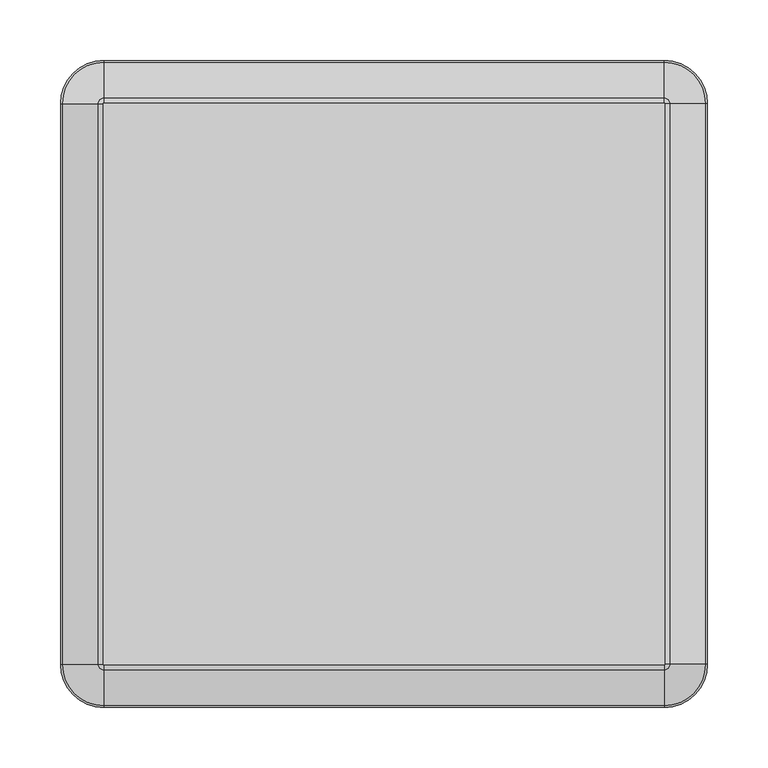
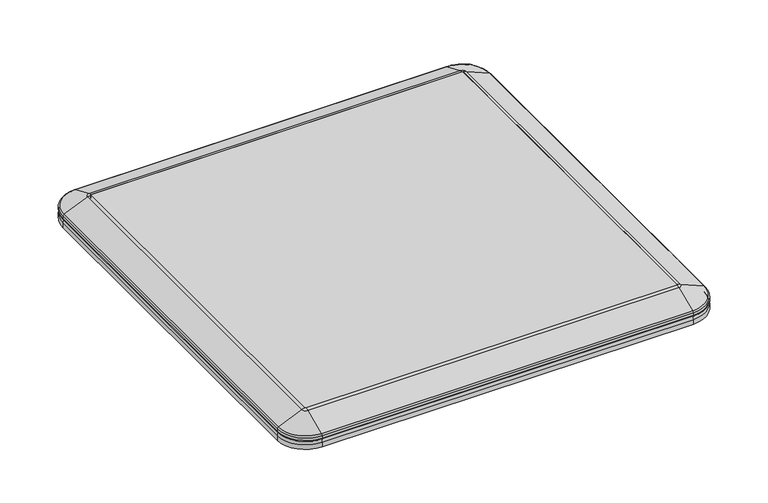
"""IFC4 building model written with IfcOpenShell, lengths in millimetres: furniture geometry."""

from ifc_helpers import new_model, si_unit, point, frame, frame_2d, origin, place, context, project, spatial, polyline, circle_curve, ellipse_curve, trimmed, segment, composite_curve, outline, extrude, source, transform, mapped, element, save
from ifc_brep_helpers import plane_surface, cylinder_surface, revolved_surface, advanced_brep


def furniture_83ba9d2f(model_context):
    return source(origin(), model_context, "Body", "SolidModel", [
        advanced_brep(
        [(-266.700436, 231.2129153, 410.35654), (-231.2133513, 266.7, 410.35654), (-231.2133513, 266.7, 404.4319636), (-266.700436, 231.2129153, 404.4319636), (-264.8443211, 231.2129153, 414.3369913), (-231.2133513, 264.8438851, 414.3369913), (-231.9886013, 231.2129153, 404.4319636), (-231.2133513, 231.9881653, 404.4319636), (-231.2133513, 231.9881653, 414.3369913), (-231.9886013, 231.2129153, 414.3369913), (-266.700436, -231.2129153, 404.4319636), (-266.700436, -231.2129153, 410.35654), (-264.8443211, -231.2129153, 414.3369913), (-231.9886013, -231.2129153, 414.3369913), (-231.9886013, -231.2129153, 404.4319636), (-231.2133513, -266.7, 410.35654), (-231.2133513, -266.7, 404.4319636), (-231.2133513, -264.8438851, 414.3369913), (-231.2133513, -231.9881653, 404.4319636), (-231.2133513, -231.9881653, 414.3369913), (231.2124792, -266.7, 404.4319636), (231.2124792, -266.7, 410.35654), (231.2124792, -264.8438851, 414.3369913), (231.2124792, -231.9881653, 414.3369913), (231.2124792, -231.9881653, 404.4319636), (266.699564, -231.2129153, 410.35654), (266.699564, -231.2129153, 404.4319636), (264.8434491, -231.2129153, 414.3369913), (231.9877293, -231.2129153, 404.4319636), (231.9877293, -231.2129153, 414.3369913), (266.699564, 231.2129153, 404.4319636), (266.699564, 231.2129153, 410.35654), (264.8434491, 231.2129153, 414.3369913), (231.9877293, 231.2129153, 414.3369913), (231.9877293, 231.2129153, 404.4319636), (231.2124792, 266.7, 410.35654), (231.2124792, 266.7, 404.4319636), (231.2124792, 264.8438851, 414.3369913), (231.2124792, 231.9881653, 404.4319636), (231.2124792, 231.9881653, 414.3369913)],
        [
            (0, 1, circle_curve(frame((-231.2133513, 231.2129153, 410.35654), z_axis=(0.0, 0.0, -1.0), x_axis=(0.0, 1.0, 0.0)), 35.4870847)),
            (1, 2),
            (2, 3, circle_curve(frame((-231.2133513, 231.2129153, 404.4319636), z_axis=(0.0, 0.0, 1.0), x_axis=(0.0, 1.0, 0.0)), 35.4870847)),
            (3, 0),
            (4, 5, circle_curve(frame((-231.2133513, 231.2129153, 414.3369913), z_axis=(0.0, 0.0, -1.0), x_axis=(0.0, 1.0, 0.0)), 33.6309698)),
            (5, 1, circle_curve(frame((-231.2133513, 261.1468703, 410.190059), z_axis=(-1.0, 0.0, 0.0), x_axis=(0.0, -1.0, 0.0)), 5.5556247)),
            (0, 4, circle_curve(frame((-261.1473063, 231.2129153, 410.190059), z_axis=(0.0, 1.0, 0.0), x_axis=(1.0, 0.0, 0.0)), 5.5556247)),
            (6, 7, circle_curve(frame((-231.2133513, 231.2129153, 404.4319636), z_axis=(0.0, 0.0, -1.0), x_axis=(0.0, 1.0, 0.0)), 0.77525)),
            (7, 8),
            (8, 9, circle_curve(frame((-231.2133513, 231.2129153, 414.3369913), z_axis=(0.0, 0.0, 1.0), x_axis=(0.0, 1.0, 0.0)), 0.77525)),
            (9, 6),
            (3, 10),
            (10, 11),
            (11, 0),
            (11, 12, circle_curve(frame((-261.1473063, -231.2129153, 410.190059), z_axis=(0.0, 1.0, 0.0), x_axis=(1.0, 0.0, 0.0)), 5.5556247)),
            (12, 4),
            (9, 13),
            (13, 14),
            (14, 6),
            (15, 11, circle_curve(frame((-231.2133513, -231.2129153, 410.35654), z_axis=(0.0, 0.0, -1.0), x_axis=(-1.0, 0.0, 0.0)), 35.4870847)),
            (10, 16, circle_curve(frame((-231.2133513, -231.2129153, 404.4319636), z_axis=(0.0, 0.0, 1.0), x_axis=(-1.0, 0.0, 0.0)), 35.4870847)),
            (16, 15),
            (17, 12, circle_curve(frame((-231.2133513, -231.2129153, 414.3369913), z_axis=(0.0, 0.0, -1.0), x_axis=(-1.0, 0.0, 0.0)), 33.6309698)),
            (15, 17, circle_curve(frame((-231.2133513, -261.1468703, 410.190059), z_axis=(-1.0, 0.0, 0.0), x_axis=(0.0, 1.0, 0.0)), 5.5556247)),
            (18, 14, circle_curve(frame((-231.2133513, -231.2129153, 404.4319636), z_axis=(0.0, 0.0, -1.0), x_axis=(-1.0, 0.0, 0.0)), 0.77525)),
            (13, 19, circle_curve(frame((-231.2133513, -231.2129153, 414.3369913), z_axis=(0.0, 0.0, 1.0), x_axis=(-1.0, 0.0, 0.0)), 0.77525)),
            (19, 18),
            (16, 20),
            (20, 21),
            (21, 15),
            (21, 22, circle_curve(frame((231.2124792, -261.1468703, 410.190059), z_axis=(-1.0, 0.0, 0.0), x_axis=(0.0, 1.0, 0.0)), 5.5556247)),
            (22, 17),
            (19, 23),
            (23, 24),
            (24, 18),
            (25, 21, circle_curve(frame((231.2124792, -231.2129153, 410.35654), z_axis=(0.0, 0.0, -1.0), x_axis=(0.0, -1.0, 0.0)), 35.4870847)),
            (20, 26, circle_curve(frame((231.2124792, -231.2129153, 404.4319636), z_axis=(0.0, 0.0, 1.0), x_axis=(0.0, -1.0, 0.0)), 35.4870847)),
            (26, 25),
            (27, 22, circle_curve(frame((231.2124792, -231.2129153, 414.3369913), z_axis=(0.0, 0.0, -1.0), x_axis=(0.0, -1.0, 0.0)), 33.6309698)),
            (25, 27, circle_curve(frame((261.1464342, -231.2129153, 410.190059), z_axis=(0.0, -1.0, 0.0), x_axis=(-1.0, 0.0, 0.0)), 5.5556247)),
            (28, 24, circle_curve(frame((231.2124792, -231.2129153, 404.4319636), z_axis=(0.0, 0.0, -1.0), x_axis=(0.0, -1.0, 0.0)), 0.77525)),
            (23, 29, circle_curve(frame((231.2124792, -231.2129153, 414.3369913), z_axis=(0.0, 0.0, 1.0), x_axis=(0.0, -1.0, 0.0)), 0.77525)),
            (29, 28),
            (26, 30),
            (30, 31),
            (31, 25),
            (31, 32, circle_curve(frame((261.1464342, 231.2129153, 410.190059), z_axis=(0.0, -1.0, 0.0), x_axis=(-1.0, 0.0, 0.0)), 5.5556247)),
            (32, 27),
            (29, 33),
            (33, 34),
            (34, 28),
            (35, 31, circle_curve(frame((231.2124792, 231.2129153, 410.35654), z_axis=(0.0, 0.0, -1.0), x_axis=(1.0, 0.0, 0.0)), 35.4870847)),
            (30, 36, circle_curve(frame((231.2124792, 231.2129153, 404.4319636), z_axis=(0.0, 0.0, 1.0), x_axis=(1.0, 0.0, 0.0)), 35.4870847)),
            (36, 35),
            (37, 32, circle_curve(frame((231.2124792, 231.2129153, 414.3369913), z_axis=(0.0, 0.0, -1.0), x_axis=(1.0, 0.0, 0.0)), 33.6309698)),
            (35, 37, circle_curve(frame((231.2124792, 261.1468703, 410.190059), z_axis=(1.0, 0.0, 0.0), x_axis=(0.0, -1.0, 0.0)), 5.5556247)),
            (38, 34, circle_curve(frame((231.2124792, 231.2129153, 404.4319636), z_axis=(0.0, 0.0, -1.0), x_axis=(1.0, 0.0, 0.0)), 0.77525)),
            (33, 39, circle_curve(frame((231.2124792, 231.2129153, 414.3369913), z_axis=(0.0, 0.0, 1.0), x_axis=(1.0, 0.0, 0.0)), 0.77525)),
            (39, 38),
            (2, 36),
            (38, 7),
            (1, 35),
            (5, 37),
            (8, 39),
        ],
        [
            cylinder_surface(frame((-231.2133513, 231.2129153, 434.9750121), z_axis=(0.0, 0.0, 1.0), x_axis=(0.0, 1.0, 0.0)), 35.4870847),
            revolved_surface(trimmed(ellipse_curve(frame((-231.2133513, 261.1468703, 410.190059), z_axis=(1.0, 0.0, 0.0), x_axis=(0.0, -1.0, 0.0)), 5.5556247, 5.5556247), [point((-231.2133513, 266.7, 410.35654))], [point((-231.2133513, 264.8438851, 414.3369913))], True, "CARTESIAN"), (-231.2133513, 231.2129153, 434.9750121), (0.0, 0.0, 1.0)),
            revolved_surface(polyline([(-231.2133513, 231.9881653, 414.3369913), (-231.2133513, 231.9881653, 404.4319636)]), (-231.2133513, 231.2129153, 434.9750121), (0.0, 0.0, 1.0)),
            plane_surface(frame((-266.700436, 231.2129153, 404.4319636), z_axis=(-1.0, 0.0, 0.0), x_axis=(0.0, -1.0, 0.0))),
            cylinder_surface(frame((-261.1473063, 231.2129153, 410.190059), z_axis=(0.0, 1.0, 0.0), x_axis=(1.0, 0.0, 0.0)), 5.5556247),
            plane_surface(frame((-231.9886013, 231.2129153, 414.3369913), z_axis=(1.0, 0.0, 0.0), x_axis=(0.0, -1.0, 0.0))),
            cylinder_surface(frame((-231.2133513, -231.2129153, 434.9750121), z_axis=(0.0, 0.0, 1.0), x_axis=(-1.0, 0.0, 0.0)), 35.4870847),
            revolved_surface(trimmed(ellipse_curve(frame((-261.1473063, -231.2129153, 410.190059), z_axis=(0.0, 1.0, 0.0), x_axis=(1.0, 0.0, 0.0)), 5.5556247, 5.5556247), [point((-266.700436, -231.2129153, 410.35654))], [point((-264.8443211, -231.2129153, 414.3369913))], True, "CARTESIAN"), (-231.2133513, -231.2129153, 434.9750121), (0.0, 0.0, 1.0)),
            revolved_surface(polyline([(-231.9886013, -231.2129153, 414.3369913), (-231.9886013, -231.2129153, 404.4319636)]), (-231.2133513, -231.2129153, 434.9750121), (0.0, 0.0, 1.0)),
            plane_surface(frame((-231.2133513, -266.7, 404.4319636), z_axis=(0.0, -1.0, 0.0), x_axis=(1.0, 0.0, 0.0))),
            cylinder_surface(frame((-231.2133513, -261.1468703, 410.190059), z_axis=(-1.0, 0.0, 0.0), x_axis=(0.0, 1.0, 0.0)), 5.5556247),
            plane_surface(frame((-231.2133513, -231.9881653, 414.3369913), z_axis=(0.0, 1.0, 0.0), x_axis=(1.0, 0.0, 0.0))),
            cylinder_surface(frame((231.2124792, -231.2129153, 434.9750121), z_axis=(0.0, 0.0, 1.0), x_axis=(0.0, -1.0, 0.0)), 35.4870847),
            revolved_surface(trimmed(ellipse_curve(frame((231.2124792, -261.1468703, 410.190059), z_axis=(-1.0, 0.0, 0.0), x_axis=(0.0, 1.0, 0.0)), 5.5556247, 5.5556247), [point((231.2124792, -266.7, 410.35654))], [point((231.2124792, -264.8438851, 414.3369913))], True, "CARTESIAN"), (231.2124792, -231.2129153, 434.9750121), (0.0, 0.0, 1.0)),
            revolved_surface(polyline([(231.2124792, -231.9881653, 414.3369913), (231.2124792, -231.9881653, 404.4319636)]), (231.2124792, -231.2129153, 434.9750121), (0.0, 0.0, 1.0)),
            plane_surface(frame((266.699564, -231.2129153, 404.4319636), z_axis=(1.0, 0.0, 0.0), x_axis=(0.0, 1.0, 0.0))),
            cylinder_surface(frame((261.1464342, -231.2129153, 410.190059), z_axis=(0.0, -1.0, 0.0), x_axis=(-1.0, 0.0, 0.0)), 5.5556247),
            plane_surface(frame((231.9877293, -231.2129153, 414.3369913), z_axis=(-1.0, 0.0, 0.0), x_axis=(0.0, 1.0, 0.0))),
            cylinder_surface(frame((231.2124792, 231.2129153, 434.9750121), z_axis=(0.0, 0.0, 1.0), x_axis=(1.0, 0.0, 0.0)), 35.4870847),
            revolved_surface(trimmed(ellipse_curve(frame((261.1464342, 231.2129153, 410.190059), z_axis=(0.0, -1.0, 0.0), x_axis=(-1.0, 0.0, 0.0)), 5.5556247, 5.5556247), [point((266.699564, 231.2129153, 410.35654))], [point((264.8434491, 231.2129153, 414.3369913))], True, "CARTESIAN"), (231.2124792, 231.2129153, 434.9750121), (0.0, 0.0, 1.0)),
            revolved_surface(polyline([(231.9877292, 231.2129153, 414.3369913), (231.9877292, 231.2129153, 404.4319636)]), (231.2124792, 231.2129153, 434.9750121), (0.0, 0.0, 1.0)),
            plane_surface(frame((231.2124792, 231.9881653, 404.4319636), z_axis=(0.0, 0.0, -1.0), x_axis=(-1.0, 0.0, 0.0))),
            plane_surface(frame((231.2124792, 266.7, 404.4319636), z_axis=(0.0, 1.0, 0.0), x_axis=(-1.0, 0.0, 0.0))),
            cylinder_surface(frame((231.2124792, 261.1468703, 410.190059), z_axis=(1.0, 0.0, 0.0), x_axis=(0.0, -1.0, 0.0)), 5.5556247),
            plane_surface(frame((231.2124792, 264.8438851, 414.3369913), z_axis=(0.0, 0.0, 1.0), x_axis=(-1.0, 0.0, 0.0))),
            plane_surface(frame((231.2124792, 231.9881653, 414.3369913), z_axis=(0.0, -1.0, 0.0), x_axis=(-1.0, 0.0, 0.0))),
        ],
        [
            (0, [[1, 2, 3, 4]]),
            (1, [[5, 6, -1, 7]]),
            (2, [[8, 9, 10, 11]]),
            (3, [[-4, 12, 13, 14]]),
            (4, [[-7, -14, 15, 16]]),
            (5, [[-11, 17, 18, 19]]),
            (6, [[20, -13, 21, 22]]),
            (7, [[23, -15, -20, 24]]),
            (8, [[25, -18, 26, 27]]),
            (9, [[-22, 28, 29, 30]]),
            (10, [[-24, -30, 31, 32]]),
            (11, [[-27, 33, 34, 35]]),
            (12, [[36, -29, 37, 38]]),
            (13, [[39, -31, -36, 40]]),
            (14, [[41, -34, 42, 43]]),
            (15, [[-38, 44, 45, 46]]),
            (16, [[-40, -46, 47, 48]]),
            (17, [[-43, 49, 50, 51]]),
            (18, [[52, -45, 53, 54]]),
            (19, [[55, -47, -52, 56]]),
            (20, [[57, -50, 58, 59]]),
            (21, [[60, -53, -44, -37, -28, -21, -12, -3], [-51, -57, 61, -8, -19, -25, -35, -41]]),
            (22, [[-54, -60, -2, 62]]),
            (23, [[-56, -62, -6, 63]]),
            (24, [[-48, -55, -63, -5, -16, -23, -32, -39], [64, -58, -49, -42, -33, -26, -17, -10]]),
            (25, [[-59, -64, -9, -61]]),
        ],
    ),
        advanced_brep(
        [(-231.9886013, 231.2129153, 434.9750121), (-231.2133513, 231.9881653, 434.9750121), (-231.2133513, 235.722821, 433.9635186), (-235.7232571, 231.2129153, 433.9635186), (-231.9886013, 231.2129153, 414.3369913), (-231.2133513, 231.9881653, 414.3369913), (-266.700436, 231.2129153, 415.8206706), (-231.2133513, 266.7, 415.8206706), (-231.2133513, 264.8438851, 414.3369913), (-264.8443211, 231.2129153, 414.3369913), (-266.700436, 231.2129153, 419.2299165), (-231.2133513, 266.7, 419.2299165), (-265.3179623, 231.2129153, 421.2795181), (-231.2133513, 265.3175262, 421.2795181), (-235.7232571, -231.2129153, 433.9635186), (-231.9886013, -231.2129153, 434.9750121), (-231.9886013, -231.2129153, 414.3369913), (-264.8443211, -231.2129153, 414.3369913), (-266.700436, -231.2129153, 415.8206706), (-266.700436, -231.2129153, 419.2299165), (-265.3179623, -231.2129153, 421.2795181), (-231.2133513, -231.9881653, 434.9750121), (-231.2133513, -235.722821, 433.9635186), (-231.2133513, -231.9881653, 414.3369913), (-231.2133513, -266.7, 415.8206706), (-231.2133513, -264.8438851, 414.3369913), (-231.2133513, -266.7, 419.2299165), (-231.2133513, -265.3175262, 421.2795181), (231.2124792, -235.722821, 433.9635186), (231.2124792, -231.9881653, 434.9750121), (231.2124792, -231.9881653, 414.3369913), (231.2124792, -264.8438851, 414.3369913), (231.2124792, -266.7, 415.8206706), (231.2124792, -266.7, 419.2299165), (231.2124792, -265.3175262, 421.2795181), (231.9877293, -231.2129153, 434.9750121), (235.722385, -231.2129153, 433.9635186), (231.9877293, -231.2129153, 414.3369913), (266.699564, -231.2129153, 415.8206706), (264.8434491, -231.2129153, 414.3369913), (266.699564, -231.2129153, 419.2299165), (265.3170902, -231.2129153, 421.2795181), (235.722385, 231.2129153, 433.9635186), (231.9877293, 231.2129153, 434.9750121), (231.9877293, 231.2129153, 414.3369913), (264.8434491, 231.2129153, 414.3369913), (266.699564, 231.2129153, 415.8206706), (266.699564, 231.2129153, 419.2299165), (265.3170902, 231.2129153, 421.2795181), (231.2124792, 231.9881653, 434.9750121), (231.2124792, 235.722821, 433.9635186), (231.2124792, 231.9881653, 414.3369913), (231.2124792, 266.7, 415.8206706), (231.2124792, 264.8438851, 414.3369913), (231.2124792, 266.7, 419.2299165), (231.2124792, 265.3175262, 421.2795181)],
        [
            (0, 1, circle_curve(frame((-231.2133513, 231.2129153, 434.9750121), z_axis=(0.0, 0.0, -1.0), x_axis=(0.0, 1.0, 0.0)), 0.77525)),
            (1, 2, circle_curve(frame((-231.2133513, 230.2773497, 421.2579753), z_axis=(-1.0, 0.0, 0.0), x_axis=(0.0, -1.0, 0.0)), 13.8233132)),
            (2, 3, circle_curve(frame((-231.2133513, 231.2129153, 433.9635186), z_axis=(0.0, 0.0, 1.0), x_axis=(0.0, 1.0, 0.0)), 4.5099058)),
            (3, 0, circle_curve(frame((-230.2777858, 231.2129153, 421.2579753), z_axis=(0.0, 1.0, 0.0), x_axis=(1.0, 0.0, 0.0)), 13.8233132)),
            (4, 5, circle_curve(frame((-231.2133513, 231.2129153, 414.3369913), z_axis=(0.0, 0.0, -1.0), x_axis=(0.0, 1.0, 0.0)), 0.77525)),
            (5, 1),
            (0, 4),
            (6, 7, circle_curve(frame((-231.2133513, 231.2129153, 415.8206706), z_axis=(0.0, 0.0, -1.0), x_axis=(0.0, 1.0, 0.0)), 35.4870847)),
            (7, 8, circle_curve(frame((-231.2133513, 265.1789555, 415.8206706), z_axis=(-1.0, 0.0, 0.0), x_axis=(0.0, -1.0, 0.0)), 1.5210445)),
            (8, 9, circle_curve(frame((-231.2133513, 231.2129153, 414.3369913), z_axis=(0.0, 0.0, 1.0), x_axis=(0.0, 1.0, 0.0)), 33.6309698)),
            (9, 6, circle_curve(frame((-265.1793915, 231.2129153, 415.8206706), z_axis=(0.0, 1.0, 0.0), x_axis=(1.0, 0.0, 0.0)), 1.5210445)),
            (10, 11, circle_curve(frame((-231.2133513, 231.2129153, 419.2299165), z_axis=(0.0, 0.0, -1.0), x_axis=(0.0, 1.0, 0.0)), 35.4870847)),
            (11, 7),
            (6, 10),
            (12, 13, circle_curve(frame((-231.2133513, 231.2129153, 421.2795181), z_axis=(0.0, 0.0, -1.0), x_axis=(0.0, 1.0, 0.0)), 34.104611)),
            (13, 11, circle_curve(frame((-231.2133513, 264.4186141, 419.1821482), z_axis=(-1.0, 0.0, 0.0), x_axis=(0.0, -1.0, 0.0)), 2.281886)),
            (10, 12, circle_curve(frame((-264.4190501, 231.2129153, 419.1821482), z_axis=(0.0, 1.0, 0.0), x_axis=(1.0, 0.0, 0.0)), 2.281886)),
            (2, 13),
            (12, 3),
            (3, 14),
            (14, 15, circle_curve(frame((-230.2777858, -231.2129153, 421.2579753), z_axis=(0.0, 1.0, 0.0), x_axis=(1.0, 0.0, 0.0)), 13.8233132)),
            (15, 0),
            (15, 16),
            (16, 4),
            (9, 17),
            (17, 18, circle_curve(frame((-265.1793915, -231.2129153, 415.8206706), z_axis=(0.0, 1.0, 0.0), x_axis=(1.0, 0.0, 0.0)), 1.5210445)),
            (18, 6),
            (18, 19),
            (19, 10),
            (19, 20, circle_curve(frame((-264.4190501, -231.2129153, 419.1821482), z_axis=(0.0, 1.0, 0.0), x_axis=(1.0, 0.0, 0.0)), 2.281886)),
            (20, 12),
            (20, 14),
            (21, 15, circle_curve(frame((-231.2133513, -231.2129153, 434.9750121), z_axis=(0.0, 0.0, -1.0), x_axis=(-1.0, 0.0, 0.0)), 0.77525)),
            (14, 22, circle_curve(frame((-231.2133513, -231.2129153, 433.9635186), z_axis=(0.0, 0.0, 1.0), x_axis=(-1.0, 0.0, 0.0)), 4.5099058)),
            (22, 21, circle_curve(frame((-231.2133513, -230.2773497, 421.2579753), z_axis=(-1.0, 0.0, 0.0), x_axis=(0.0, 1.0, 0.0)), 13.8233132)),
            (23, 16, circle_curve(frame((-231.2133513, -231.2129153, 414.3369913), z_axis=(0.0, 0.0, -1.0), x_axis=(-1.0, 0.0, 0.0)), 0.77525)),
            (21, 23),
            (24, 18, circle_curve(frame((-231.2133513, -231.2129153, 415.8206706), z_axis=(0.0, 0.0, -1.0), x_axis=(-1.0, 0.0, 0.0)), 35.4870847)),
            (17, 25, circle_curve(frame((-231.2133513, -231.2129153, 414.3369913), z_axis=(0.0, 0.0, 1.0), x_axis=(-1.0, 0.0, 0.0)), 33.6309698)),
            (25, 24, circle_curve(frame((-231.2133513, -265.1789555, 415.8206706), z_axis=(-1.0, 0.0, 0.0), x_axis=(0.0, 1.0, 0.0)), 1.5210445)),
            (26, 19, circle_curve(frame((-231.2133513, -231.2129153, 419.2299165), z_axis=(0.0, 0.0, -1.0), x_axis=(-1.0, 0.0, 0.0)), 35.4870847)),
            (24, 26),
            (27, 20, circle_curve(frame((-231.2133513, -231.2129153, 421.2795181), z_axis=(0.0, 0.0, -1.0), x_axis=(-1.0, 0.0, 0.0)), 34.104611)),
            (26, 27, circle_curve(frame((-231.2133513, -264.4186141, 419.1821482), z_axis=(-1.0, 0.0, 0.0), x_axis=(0.0, 1.0, 0.0)), 2.281886)),
            (27, 22),
            (22, 28),
            (28, 29, circle_curve(frame((231.2124792, -230.2773497, 421.2579753), z_axis=(-1.0, 0.0, 0.0), x_axis=(0.0, 1.0, 0.0)), 13.8233132)),
            (29, 21),
            (29, 30),
            (30, 23),
            (25, 31),
            (31, 32, circle_curve(frame((231.2124792, -265.1789555, 415.8206706), z_axis=(-1.0, 0.0, 0.0), x_axis=(0.0, 1.0, 0.0)), 1.5210445)),
            (32, 24),
            (32, 33),
            (33, 26),
            (33, 34, circle_curve(frame((231.2124792, -264.4186141, 419.1821482), z_axis=(-1.0, 0.0, 0.0), x_axis=(0.0, 1.0, 0.0)), 2.281886)),
            (34, 27),
            (34, 28),
            (35, 29, circle_curve(frame((231.2124792, -231.2129153, 434.9750121), z_axis=(0.0, 0.0, -1.0), x_axis=(0.0, -1.0, 0.0)), 0.77525)),
            (28, 36, circle_curve(frame((231.2124792, -231.2129153, 433.9635186), z_axis=(0.0, 0.0, 1.0), x_axis=(0.0, -1.0, 0.0)), 4.5099058)),
            (36, 35, circle_curve(frame((230.2769137, -231.2129153, 421.2579753), z_axis=(0.0, -1.0, 0.0), x_axis=(-1.0, 0.0, 0.0)), 13.8233132)),
            (37, 30, circle_curve(frame((231.2124792, -231.2129153, 414.3369913), z_axis=(0.0, 0.0, -1.0), x_axis=(0.0, -1.0, 0.0)), 0.77525)),
            (35, 37),
            (38, 32, circle_curve(frame((231.2124792, -231.2129153, 415.8206706), z_axis=(0.0, 0.0, -1.0), x_axis=(0.0, -1.0, 0.0)), 35.4870847)),
            (31, 39, circle_curve(frame((231.2124792, -231.2129153, 414.3369913), z_axis=(0.0, 0.0, 1.0), x_axis=(0.0, -1.0, 0.0)), 33.6309698)),
            (39, 38, circle_curve(frame((265.1785195, -231.2129153, 415.8206706), z_axis=(0.0, -1.0, 0.0), x_axis=(-1.0, 0.0, 0.0)), 1.5210445)),
            (40, 33, circle_curve(frame((231.2124792, -231.2129153, 419.2299165), z_axis=(0.0, 0.0, -1.0), x_axis=(0.0, -1.0, 0.0)), 35.4870847)),
            (38, 40),
            (41, 34, circle_curve(frame((231.2124792, -231.2129153, 421.2795181), z_axis=(0.0, 0.0, -1.0), x_axis=(0.0, -1.0, 0.0)), 34.104611)),
            (40, 41, circle_curve(frame((264.4181781, -231.2129153, 419.1821482), z_axis=(0.0, -1.0, 0.0), x_axis=(-1.0, 0.0, 0.0)), 2.281886)),
            (41, 36),
            (36, 42),
            (42, 43, circle_curve(frame((230.2769137, 231.2129153, 421.2579753), z_axis=(0.0, -1.0, 0.0), x_axis=(-1.0, 0.0, 0.0)), 13.8233132)),
            (43, 35),
            (43, 44),
            (44, 37),
            (39, 45),
            (45, 46, circle_curve(frame((265.1785195, 231.2129153, 415.8206706), z_axis=(0.0, -1.0, 0.0), x_axis=(-1.0, 0.0, 0.0)), 1.5210445)),
            (46, 38),
            (46, 47),
            (47, 40),
            (47, 48, circle_curve(frame((264.4181781, 231.2129153, 419.1821482), z_axis=(0.0, -1.0, 0.0), x_axis=(-1.0, 0.0, 0.0)), 2.281886)),
            (48, 41),
            (48, 42),
            (49, 43, circle_curve(frame((231.2124792, 231.2129153, 434.9750121), z_axis=(0.0, 0.0, -1.0), x_axis=(1.0, 0.0, 0.0)), 0.77525)),
            (42, 50, circle_curve(frame((231.2124792, 231.2129153, 433.9635186), z_axis=(0.0, 0.0, 1.0), x_axis=(1.0, 0.0, 0.0)), 4.5099058)),
            (50, 49, circle_curve(frame((231.2124792, 230.2773497, 421.2579753), z_axis=(1.0, 0.0, 0.0), x_axis=(0.0, -1.0, 0.0)), 13.8233132)),
            (51, 44, circle_curve(frame((231.2124792, 231.2129153, 414.3369913), z_axis=(0.0, 0.0, -1.0), x_axis=(1.0, 0.0, 0.0)), 0.77525)),
            (49, 51),
            (52, 46, circle_curve(frame((231.2124792, 231.2129153, 415.8206706), z_axis=(0.0, 0.0, -1.0), x_axis=(1.0, 0.0, 0.0)), 35.4870847)),
            (45, 53, circle_curve(frame((231.2124792, 231.2129153, 414.3369913), z_axis=(0.0, 0.0, 1.0), x_axis=(1.0, 0.0, 0.0)), 33.6309698)),
            (53, 52, circle_curve(frame((231.2124792, 265.1789555, 415.8206706), z_axis=(1.0, 0.0, 0.0), x_axis=(0.0, -1.0, 0.0)), 1.5210445)),
            (54, 47, circle_curve(frame((231.2124792, 231.2129153, 419.2299165), z_axis=(0.0, 0.0, -1.0), x_axis=(1.0, 0.0, 0.0)), 35.4870847)),
            (52, 54),
            (55, 48, circle_curve(frame((231.2124792, 231.2129153, 421.2795181), z_axis=(0.0, 0.0, -1.0), x_axis=(1.0, 0.0, 0.0)), 34.104611)),
            (54, 55, circle_curve(frame((231.2124792, 264.4186141, 419.1821482), z_axis=(1.0, 0.0, 0.0), x_axis=(0.0, -1.0, 0.0)), 2.281886)),
            (55, 50),
            (50, 2),
            (1, 49),
            (5, 51),
            (53, 8),
            (7, 52),
            (11, 54),
            (13, 55),
        ],
        [
            revolved_surface(trimmed(ellipse_curve(frame((-231.2133513, 230.2773497, 421.2579753), z_axis=(1.0, 0.0, 0.0), x_axis=(0.0, -1.0, 0.0)), 13.8233132, 13.8233132), [point((-231.2133513, 235.722821, 433.9635186))], [point((-231.2133513, 231.9881653, 434.9750121))], True, "CARTESIAN"), (-231.2133513, 231.2129153, 434.9750121), (0.0, 0.0, 1.0)),
            revolved_surface(polyline([(-231.2133513, 231.9881653, 434.9750121), (-231.2133513, 231.9881653, 414.3369913)]), (-231.2133513, 231.2129153, 434.9750121), (0.0, 0.0, 1.0)),
            revolved_surface(trimmed(ellipse_curve(frame((-231.2133513, 265.1789555, 415.8206706), z_axis=(1.0, 0.0, 0.0), x_axis=(0.0, -1.0, 0.0)), 1.5210445, 1.5210445), [point((-231.2133513, 264.8438851, 414.3369913))], [point((-231.2133513, 266.7, 415.8206706))], True, "CARTESIAN"), (-231.2133513, 231.2129153, 434.9750121), (0.0, 0.0, 1.0)),
            cylinder_surface(frame((-231.2133513, 231.2129153, 434.9750121), z_axis=(0.0, 0.0, 1.0), x_axis=(0.0, 1.0, 0.0)), 35.4870847),
            revolved_surface(trimmed(ellipse_curve(frame((-231.2133513, 264.4186141, 419.1821482), z_axis=(1.0, 0.0, 0.0), x_axis=(0.0, -1.0, 0.0)), 2.281886, 2.281886), [point((-231.2133513, 266.7, 419.2299165))], [point((-231.2133513, 265.3175262, 421.2795181))], True, "CARTESIAN"), (-231.2133513, 231.2129153, 434.9750121), (0.0, 0.0, 1.0)),
            revolved_surface(polyline([(-231.2133513, 265.3175262, 421.2795181), (-231.2133513, 235.722821, 433.9635186)]), (-231.2133513, 231.2129153, 434.9750121), (0.0, 0.0, 1.0)),
            cylinder_surface(frame((-230.2777858, 231.2129153, 421.2579753), z_axis=(0.0, 1.0, 0.0), x_axis=(1.0, 0.0, 0.0)), 13.8233132),
            plane_surface(frame((-231.9886013, 231.2129153, 434.9750121), z_axis=(1.0, 0.0, 0.0), x_axis=(0.0, -1.0, 0.0))),
            cylinder_surface(frame((-265.1793915, 231.2129153, 415.8206706), z_axis=(0.0, 1.0, 0.0), x_axis=(1.0, 0.0, 0.0)), 1.5210445),
            plane_surface(frame((-266.700436, 231.2129153, 415.8206706), z_axis=(-1.0, 0.0, 0.0), x_axis=(0.0, -1.0, 0.0))),
            cylinder_surface(frame((-264.4190501, 231.2129153, 419.1821482), z_axis=(0.0, 1.0, 0.0), x_axis=(1.0, 0.0, 0.0)), 2.281886),
            plane_surface(frame((-265.3179623, 231.2129153, 421.2795181), z_axis=(-0.3939338714288449, 0.0, 0.919138784374309), x_axis=(0.0, -1.0, 0.0))),
            revolved_surface(trimmed(ellipse_curve(frame((-230.2777858, -231.2129153, 421.2579753), z_axis=(0.0, 1.0, 0.0), x_axis=(1.0, 0.0, 0.0)), 13.8233132, 13.8233132), [point((-235.7232571, -231.2129153, 433.9635186))], [point((-231.9886013, -231.2129153, 434.9750121))], True, "CARTESIAN"), (-231.2133513, -231.2129153, 434.9750121), (0.0, 0.0, 1.0)),
            revolved_surface(polyline([(-231.9886013, -231.2129153, 434.9750121), (-231.9886013, -231.2129153, 414.3369913)]), (-231.2133513, -231.2129153, 434.9750121), (0.0, 0.0, 1.0)),
            revolved_surface(trimmed(ellipse_curve(frame((-265.1793915, -231.2129153, 415.8206706), z_axis=(0.0, 1.0, 0.0), x_axis=(1.0, 0.0, 0.0)), 1.5210445, 1.5210445), [point((-264.8443211, -231.2129153, 414.3369913))], [point((-266.700436, -231.2129153, 415.8206706))], True, "CARTESIAN"), (-231.2133513, -231.2129153, 434.9750121), (0.0, 0.0, 1.0)),
            cylinder_surface(frame((-231.2133513, -231.2129153, 434.9750121), z_axis=(0.0, 0.0, 1.0), x_axis=(-1.0, 0.0, 0.0)), 35.4870847),
            revolved_surface(trimmed(ellipse_curve(frame((-264.4190501, -231.2129153, 419.1821482), z_axis=(0.0, 1.0, 0.0), x_axis=(1.0, 0.0, 0.0)), 2.281886, 2.281886), [point((-266.700436, -231.2129153, 419.2299165))], [point((-265.3179623, -231.2129153, 421.2795181))], True, "CARTESIAN"), (-231.2133513, -231.2129153, 434.9750121), (0.0, 0.0, 1.0)),
            revolved_surface(polyline([(-265.3179623, -231.2129153, 421.2795181), (-235.7232571, -231.2129153, 433.9635186)]), (-231.2133513, -231.2129153, 434.9750121), (0.0, 0.0, 1.0)),
            cylinder_surface(frame((-231.2133513, -230.2773497, 421.2579753), z_axis=(-1.0, 0.0, 0.0), x_axis=(0.0, 1.0, 0.0)), 13.8233132),
            plane_surface(frame((-231.2133513, -231.9881653, 434.9750121), z_axis=(0.0, 1.0, 0.0), x_axis=(1.0, 0.0, 0.0))),
            cylinder_surface(frame((-231.2133513, -265.1789555, 415.8206706), z_axis=(-1.0, 0.0, 0.0), x_axis=(0.0, 1.0, 0.0)), 1.5210445),
            plane_surface(frame((-231.2133513, -266.7, 415.8206706), z_axis=(0.0, -1.0, 0.0), x_axis=(1.0, 0.0, 0.0))),
            cylinder_surface(frame((-231.2133513, -264.4186141, 419.1821482), z_axis=(-1.0, 0.0, 0.0), x_axis=(0.0, 1.0, 0.0)), 2.281886),
            plane_surface(frame((-231.2133513, -265.3175262, 421.2795181), z_axis=(0.0, -0.3939338714288449, 0.919138784374309), x_axis=(1.0, 0.0, 0.0))),
            revolved_surface(trimmed(ellipse_curve(frame((231.2124792, -230.2773497, 421.2579753), z_axis=(-1.0, 0.0, 0.0), x_axis=(0.0, 1.0, 0.0)), 13.8233132, 13.8233132), [point((231.2124792, -235.722821, 433.9635186))], [point((231.2124792, -231.9881653, 434.9750121))], True, "CARTESIAN"), (231.2124792, -231.2129153, 434.9750121), (0.0, 0.0, 1.0)),
            revolved_surface(polyline([(231.2124792, -231.9881653, 434.9750121), (231.2124792, -231.9881653, 414.3369913)]), (231.2124792, -231.2129153, 434.9750121), (0.0, 0.0, 1.0)),
            revolved_surface(trimmed(ellipse_curve(frame((231.2124792, -265.1789555, 415.8206706), z_axis=(-1.0, 0.0, 0.0), x_axis=(0.0, 1.0, 0.0)), 1.5210445, 1.5210445), [point((231.2124792, -264.8438851, 414.3369913))], [point((231.2124792, -266.7, 415.8206706))], True, "CARTESIAN"), (231.2124792, -231.2129153, 434.9750121), (0.0, 0.0, 1.0)),
            cylinder_surface(frame((231.2124792, -231.2129153, 434.9750121), z_axis=(0.0, 0.0, 1.0), x_axis=(0.0, -1.0, 0.0)), 35.4870847),
            revolved_surface(trimmed(ellipse_curve(frame((231.2124792, -264.4186141, 419.1821482), z_axis=(-1.0, 0.0, 0.0), x_axis=(0.0, 1.0, 0.0)), 2.281886, 2.281886), [point((231.2124792, -266.7, 419.2299165))], [point((231.2124792, -265.3175262, 421.2795181))], True, "CARTESIAN"), (231.2124792, -231.2129153, 434.9750121), (0.0, 0.0, 1.0)),
            revolved_surface(polyline([(231.2124792, -265.3175262, 421.2795181), (231.2124792, -235.722821, 433.9635186)]), (231.2124792, -231.2129153, 434.9750121), (0.0, 0.0, 1.0)),
            cylinder_surface(frame((230.2769137, -231.2129153, 421.2579753), z_axis=(0.0, -1.0, 0.0), x_axis=(-1.0, 0.0, 0.0)), 13.8233132),
            plane_surface(frame((231.9877293, -231.2129153, 434.9750121), z_axis=(-1.0, 0.0, 0.0), x_axis=(0.0, 1.0, 0.0))),
            cylinder_surface(frame((265.1785195, -231.2129153, 415.8206706), z_axis=(0.0, -1.0, 0.0), x_axis=(-1.0, 0.0, 0.0)), 1.5210445),
            plane_surface(frame((266.699564, -231.2129153, 415.8206706), z_axis=(1.0, 0.0, 0.0), x_axis=(0.0, 1.0, 0.0))),
            cylinder_surface(frame((264.4181781, -231.2129153, 419.1821482), z_axis=(0.0, -1.0, 0.0), x_axis=(-1.0, 0.0, 0.0)), 2.281886),
            plane_surface(frame((265.3170902, -231.2129153, 421.2795181), z_axis=(0.3939338714288449, 0.0, 0.919138784374309), x_axis=(0.0, 1.0, 0.0))),
            revolved_surface(trimmed(ellipse_curve(frame((230.2769137, 231.2129153, 421.2579753), z_axis=(0.0, -1.0, 0.0), x_axis=(-1.0, 0.0, 0.0)), 13.8233132, 13.8233132), [point((235.722385, 231.2129153, 433.9635186))], [point((231.9877293, 231.2129153, 434.9750121))], True, "CARTESIAN"), (231.2124792, 231.2129153, 434.9750121), (0.0, 0.0, 1.0)),
            revolved_surface(polyline([(231.9877292, 231.2129153, 434.9750121), (231.9877292, 231.2129153, 414.3369913)]), (231.2124792, 231.2129153, 434.9750121), (0.0, 0.0, 1.0)),
            revolved_surface(trimmed(ellipse_curve(frame((265.1785195, 231.2129153, 415.8206706), z_axis=(0.0, -1.0, 0.0), x_axis=(-1.0, 0.0, 0.0)), 1.5210445, 1.5210445), [point((264.8434491, 231.2129153, 414.3369913))], [point((266.699564, 231.2129153, 415.8206706))], True, "CARTESIAN"), (231.2124792, 231.2129153, 434.9750121), (0.0, 0.0, 1.0)),
            cylinder_surface(frame((231.2124792, 231.2129153, 434.9750121), z_axis=(0.0, 0.0, 1.0), x_axis=(1.0, 0.0, 0.0)), 35.4870847),
            revolved_surface(trimmed(ellipse_curve(frame((264.4181781, 231.2129153, 419.1821482), z_axis=(0.0, -1.0, 0.0), x_axis=(-1.0, 0.0, 0.0)), 2.281886, 2.281886), [point((266.699564, 231.2129153, 419.2299165))], [point((265.3170902, 231.2129153, 421.2795181))], True, "CARTESIAN"), (231.2124792, 231.2129153, 434.9750121), (0.0, 0.0, 1.0)),
            revolved_surface(polyline([(265.3170902, 231.2129153, 421.2795181), (235.722385, 231.2129153, 433.9635186)]), (231.2124792, 231.2129153, 434.9750121), (0.0, 0.0, 1.0)),
            cylinder_surface(frame((231.2124792, 230.2773497, 421.2579753), z_axis=(1.0, 0.0, 0.0), x_axis=(0.0, -1.0, 0.0)), 13.8233132),
            plane_surface(frame((231.2124792, 231.9881653, 434.9750121), z_axis=(0.0, -1.0, 0.0), x_axis=(-1.0, 0.0, 0.0))),
            cylinder_surface(frame((231.2124792, 265.1789555, 415.8206706), z_axis=(1.0, 0.0, 0.0), x_axis=(0.0, -1.0, 0.0)), 1.5210445),
            plane_surface(frame((231.2124792, 266.7, 415.8206706), z_axis=(0.0, 1.0, 0.0), x_axis=(-1.0, 0.0, 0.0))),
            cylinder_surface(frame((231.2124792, 264.4186141, 419.1821482), z_axis=(1.0, 0.0, 0.0), x_axis=(0.0, -1.0, 0.0)), 2.281886),
            plane_surface(frame((231.2124792, 265.3175262, 421.2795181), z_axis=(0.0, 0.3939338714288449, 0.919138784374309), x_axis=(-1.0, 0.0, 0.0))),
            plane_surface(frame((231.2124792, 231.9881653, 414.3369913), z_axis=(0.0, 0.0, -1.0), x_axis=(-1.0, 0.0, 0.0))),
        ],
        [
            (0, [[1, 2, 3, 4]]),
            (1, [[5, 6, -1, 7]]),
            (2, [[8, 9, 10, 11]]),
            (3, [[12, 13, -8, 14]]),
            (4, [[15, 16, -12, 17]]),
            (5, [[-3, 18, -15, 19]]),
            (6, [[-4, 20, 21, 22]]),
            (7, [[-7, -22, 23, 24]]),
            (8, [[-11, 25, 26, 27]]),
            (9, [[-14, -27, 28, 29]]),
            (10, [[-17, -29, 30, 31]]),
            (11, [[-19, -31, 32, -20]]),
            (12, [[33, -21, 34, 35]]),
            (13, [[36, -23, -33, 37]]),
            (14, [[38, -26, 39, 40]]),
            (15, [[41, -28, -38, 42]]),
            (16, [[43, -30, -41, 44]]),
            (17, [[-34, -32, -43, 45]]),
            (18, [[-35, 46, 47, 48]]),
            (19, [[-37, -48, 49, 50]]),
            (20, [[-40, 51, 52, 53]]),
            (21, [[-42, -53, 54, 55]]),
            (22, [[-44, -55, 56, 57]]),
            (23, [[-45, -57, 58, -46]]),
            (24, [[59, -47, 60, 61]]),
            (25, [[62, -49, -59, 63]]),
            (26, [[64, -52, 65, 66]]),
            (27, [[67, -54, -64, 68]]),
            (28, [[69, -56, -67, 70]]),
            (29, [[-60, -58, -69, 71]]),
            (30, [[-61, 72, 73, 74]]),
            (31, [[-63, -74, 75, 76]]),
            (32, [[-66, 77, 78, 79]]),
            (33, [[-68, -79, 80, 81]]),
            (34, [[-70, -81, 82, 83]]),
            (35, [[-71, -83, 84, -72]]),
            (36, [[85, -73, 86, 87]]),
            (37, [[88, -75, -85, 89]]),
            (38, [[90, -78, 91, 92]]),
            (39, [[93, -80, -90, 94]]),
            (40, [[95, -82, -93, 96]]),
            (41, [[-86, -84, -95, 97]]),
            (42, [[-87, 98, -2, 99]]),
            (43, [[-89, -99, -6, 100]]),
            (44, [[-92, 101, -9, 102]]),
            (45, [[-94, -102, -13, 103]]),
            (46, [[-96, -103, -16, 104]]),
            (47, [[-97, -104, -18, -98]]),
            (48, [[-101, -91, -77, -65, -51, -39, -25, -10], [-76, -88, -100, -5, -24, -36, -50, -62]]),
        ],
    ),
        extrude(outline(composite_curve([segment(trimmed(circle_curve(frame_2d((231.2124792, 231.2129153)), 0.77525), [point((231.2124792, 231.9881653))], [point((231.9877293, 231.2129153))], False, "CARTESIAN"), True, "CONTINUOUS"), segment(polyline([(231.9877293, 231.2129153), (231.9877293, -231.2129153)]), True, "CONTINUOUS"), segment(trimmed(circle_curve(frame_2d((231.2124792, -231.2129153)), 0.77525), [point((231.9877293, -231.2129153))], [point((231.2124792, -231.9881653))], False, "CARTESIAN"), True, "CONTINUOUS"), segment(polyline([(231.2124792, -231.9881653), (-231.2133513, -231.9881653)]), True, "CONTINUOUS"), segment(trimmed(circle_curve(frame_2d((-231.2133513, -231.2129153)), 0.77525), [point((-231.2133513, -231.9881653))], [point((-231.9886013, -231.2129153))], False, "CARTESIAN"), True, "CONTINUOUS"), segment(polyline([(-231.9886013, -231.2129153), (-231.9886013, 231.2129153)]), True, "CONTINUOUS"), segment(trimmed(circle_curve(frame_2d((-231.2133513, 231.2129153)), 0.77525), [point((-231.9886013, 231.2129153))], [point((-231.2133513, 231.9881653))], False, "CARTESIAN"), True, "CONTINUOUS"), segment(polyline([(-231.2133513, 231.9881653), (231.2124792, 231.9881653)]), True, "CONTINUOUS")], self_intersect=False)), frame((0.0, 0.0, 414.3369913), z_axis=(0.0, 0.0, 1.0), x_axis=(1.0, 0.0, 0.0)), (0.0, 0.0, 1.0), 20.6380208),
    ])


if __name__ == "__main__":
    model = new_model("IFC4")
    model_context = context("Model", 3, world=origin())
    ifc_project = project(units=[si_unit("LENGTHUNIT", "METRE", prefix="MILLI")], contexts=[model_context])
    site = spatial("IfcSite", under=ifc_project)
    building = spatial("IfcBuilding", under=site)
    placement = place(None, origin())
    furniture_shape = furniture_83ba9d2f(model_context)
    element("IfcFurniture", 1, at=placement, inside=building, context=model_context, shape_type="MappedRepresentation", body=[
        mapped(furniture_shape, transform((0.0, 0.0, 0.0), x_axis=(1.0, 0.0, 0.0), y_axis=(0.0, 1.0, 0.0), z_axis=(0.0, 0.0, 1.0))),
    ])
    save(model, "model.ifc")
